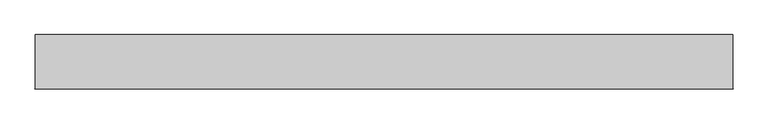
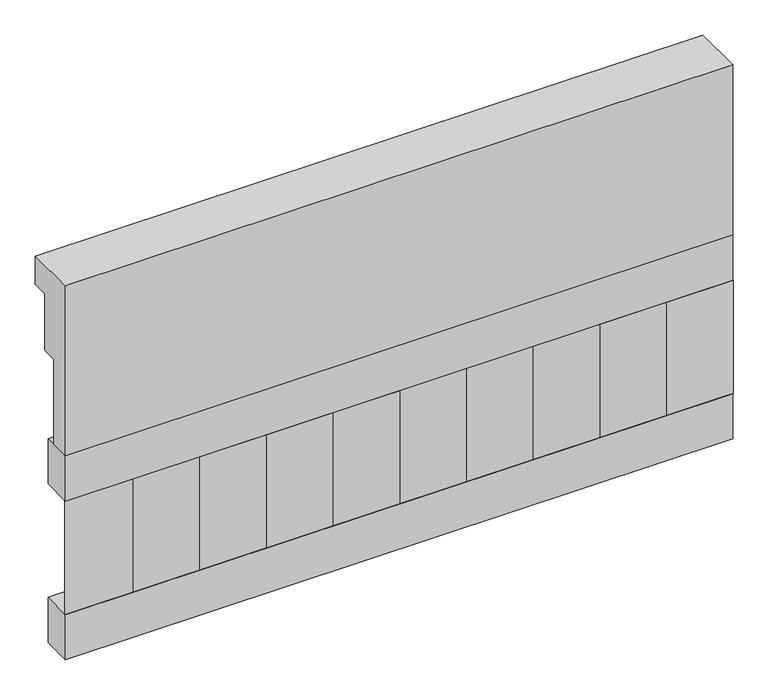
"""IFC4 building model written with IfcOpenShell, lengths in millimetres: railing geometry."""

from ifc_helpers import new_model, si_unit, frame, origin, place, context, project, spatial, polyline, outline, extrude, source, transform, mapped, element, save


def railing_21e70c28(model_context):
    return source(origin(), model_context, "Body", "SweptSolid", [
        extrude(outline(polyline([(903.1079487, 15200.0), (1033.1079487, 15200.0), (1033.1079487, 15125.0), (993.1079487, 15125.0), (993.1079487, 14975.0), (953.1079487, 14975.0), (953.1079487, 14750.0), (903.1079487, 14750.0), (903.1079487, 15200.0)])), frame((-22709.9887159, 0.0, 0.0), z_axis=(1.0, 0.0, 0.0), x_axis=(0.0, 1.0, 0.0)), (0.0, 0.0, 1.0), 1670.0),
        extrude(outline(polyline([(-21039.9887159, 978.1079487), (-21039.9887159, 903.1079487), (-22709.9887159, 903.1079487), (-22709.9887159, 978.1079487), (-21039.9887159, 978.1079487)])), frame((0.0, 0.0, 14630.0), z_axis=(0.0, 0.0, 1.0), x_axis=(1.0, 0.0, 0.0)), (0.0, 0.0, 1.0), 120.0),
        extrude(outline(polyline([(-21039.9887159, 978.1079487), (-21039.9887159, 903.1079487), (-22709.9887159, 903.1079487), (-22709.9887159, 978.1079487), (-21039.9887159, 978.1079487)])), frame((0.0, 0.0, 14210.0), z_axis=(0.0, 0.0, 1.0), x_axis=(1.0, 0.0, 0.0)), (0.0, 0.0, 1.0), 120.0),
        extrude(outline(polyline([(-22626.4887159, 987.9607624), (-22541.6359022, 903.1079487), (-22711.3415296, 903.1079487), (-22626.4887159, 987.9607624)])), frame((0.0, 0.0, 14330.0), z_axis=(0.0, 0.0, 1.0), x_axis=(1.0, 0.0, 0.0)), (0.0, 0.0, 1.0), 300.0),
        extrude(outline(polyline([(-22459.4887159, 987.9607624), (-22374.6359022, 903.1079487), (-22544.3415296, 903.1079487), (-22459.4887159, 987.9607624)])), frame((0.0, 0.0, 14330.0), z_axis=(0.0, 0.0, 1.0), x_axis=(1.0, 0.0, 0.0)), (0.0, 0.0, 1.0), 300.0),
        extrude(outline(polyline([(-22292.4887159, 987.9607624), (-22207.6359022, 903.1079487), (-22377.3415296, 903.1079487), (-22292.4887159, 987.9607624)])), frame((0.0, 0.0, 14330.0), z_axis=(0.0, 0.0, 1.0), x_axis=(1.0, 0.0, 0.0)), (0.0, 0.0, 1.0), 300.0),
        extrude(outline(polyline([(-22125.4887159, 987.9607624), (-22040.6359022, 903.1079487), (-22210.3415296, 903.1079487), (-22125.4887159, 987.9607624)])), frame((0.0, 0.0, 14330.0), z_axis=(0.0, 0.0, 1.0), x_axis=(1.0, 0.0, 0.0)), (0.0, 0.0, 1.0), 300.0),
        extrude(outline(polyline([(-21958.4887159, 987.9607624), (-21873.6359022, 903.1079487), (-22043.3415296, 903.1079487), (-21958.4887159, 987.9607624)])), frame((0.0, 0.0, 14330.0), z_axis=(0.0, 0.0, 1.0), x_axis=(1.0, 0.0, 0.0)), (0.0, 0.0, 1.0), 300.0),
        extrude(outline(polyline([(-21791.4887159, 987.9607624), (-21706.6359022, 903.1079487), (-21876.3415296, 903.1079487), (-21791.4887159, 987.9607624)])), frame((0.0, 0.0, 14330.0), z_axis=(0.0, 0.0, 1.0), x_axis=(1.0, 0.0, 0.0)), (0.0, 0.0, 1.0), 300.0),
        extrude(outline(polyline([(-21624.4887159, 987.9607624), (-21539.6359022, 903.1079487), (-21709.3415296, 903.1079487), (-21624.4887159, 987.9607624)])), frame((0.0, 0.0, 14330.0), z_axis=(0.0, 0.0, 1.0), x_axis=(1.0, 0.0, 0.0)), (0.0, 0.0, 1.0), 300.0),
        extrude(outline(polyline([(-21457.4887159, 987.9607624), (-21372.6359022, 903.1079487), (-21542.3415296, 903.1079487), (-21457.4887159, 987.9607624)])), frame((0.0, 0.0, 14330.0), z_axis=(0.0, 0.0, 1.0), x_axis=(1.0, 0.0, 0.0)), (0.0, 0.0, 1.0), 300.0),
        extrude(outline(polyline([(-21290.4887159, 987.9607624), (-21205.6359022, 903.1079487), (-21375.3415296, 903.1079487), (-21290.4887159, 987.9607624)])), frame((0.0, 0.0, 14330.0), z_axis=(0.0, 0.0, 1.0), x_axis=(1.0, 0.0, 0.0)), (0.0, 0.0, 1.0), 300.0),
        extrude(outline(polyline([(-21123.4887159, 987.9607624), (-21038.6359022, 903.1079487), (-21208.3415296, 903.1079487), (-21123.4887159, 987.9607624)])), frame((0.0, 0.0, 14330.0), z_axis=(0.0, 0.0, 1.0), x_axis=(1.0, 0.0, 0.0)), (0.0, 0.0, 1.0), 300.0),
    ])


if __name__ == "__main__":
    model = new_model("IFC4")
    model_context = context("Model", 3, world=origin())
    ifc_project = project(units=[si_unit("LENGTHUNIT", "METRE", prefix="MILLI")], contexts=[model_context])
    site = spatial("IfcSite", under=ifc_project)
    building = spatial("IfcBuilding", under=site)
    placement = place(None, origin())
    railing_shape = railing_21e70c28(model_context)
    element("IfcRailing", 1, at=placement, inside=building, context=model_context, shape_type="MappedRepresentation", body=[
        mapped(railing_shape, transform((0.0, 0.0, 0.0), x_axis=(1.0, 0.0, 0.0), y_axis=(0.0, 1.0, 0.0), z_axis=(0.0, 0.0, 1.0))),
    ])
    save(model, "model.ifc")
